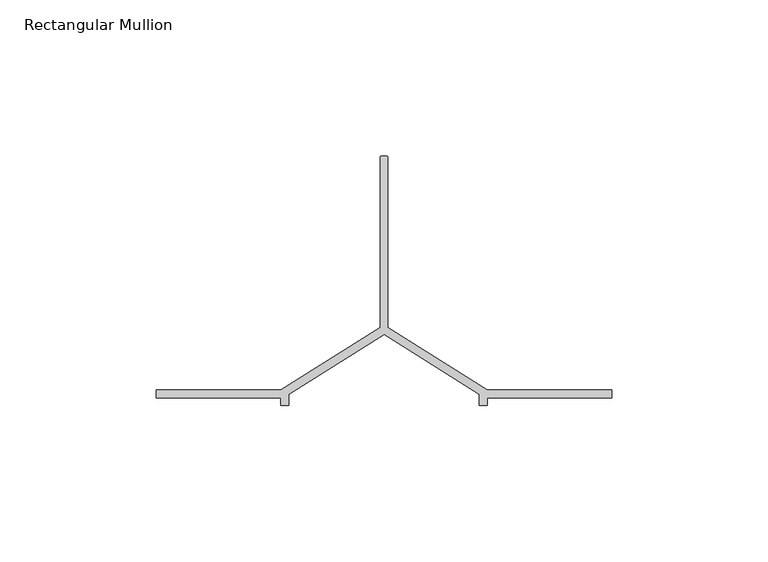
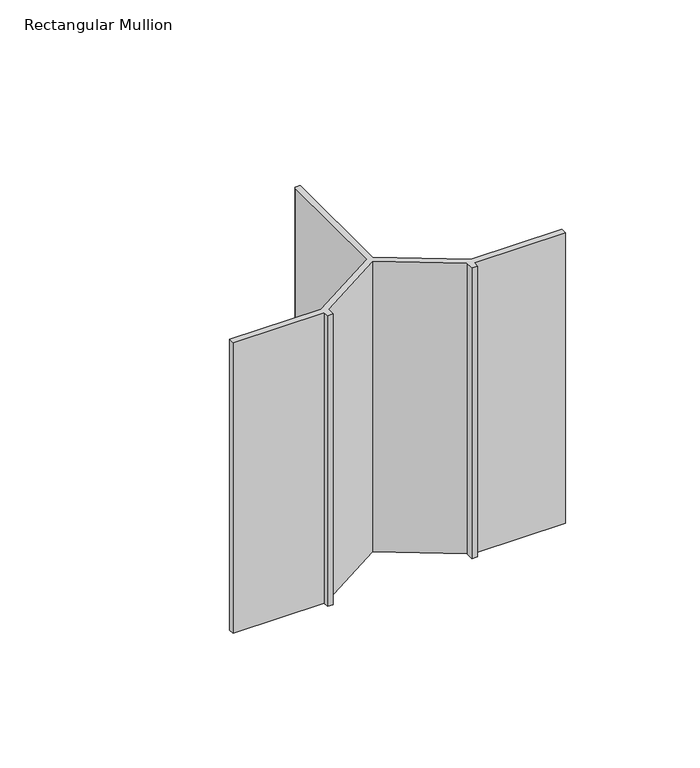
"""IFC4 building model written with IfcOpenShell, lengths in millimetres: member geometry, Rectangular Mullion."""

from ifc_helpers import new_model, si_unit, point, frame, frame_2d, origin, place, context, project, spatial, polyline, circle_curve, trimmed, segment, composite_curve, outline, extrude, source, transform, mapped, element, save


def rectangular_mullion_bee6ac06(model_context):
    return source(origin(), model_context, "Body", "SweptSolid", [
        extrude(outline(composite_curve([segment(polyline([(-0.75, -68.5), (0.75, -68.5)]), True, "CONTINUOUS"), segment(trimmed(circle_curve(frame_2d((0.75, -69.0)), 0.5), [point((0.75, -68.5))], [point((1.25, -69.0))], False, "CARTESIAN"), True, "CONTINUOUS"), segment(polyline([(1.25, -69.0), (1.25, -123.5), (33.0, -143.5), (73.0, -143.5), (73.0, -146.0), (33.0, -146.0), (33.0, -148.5), (30.5, -148.5), (30.5, -144.879855), (0.0, -125.6672566), (-30.5, -144.879855), (-30.5, -148.5), (-33.0, -148.5), (-33.0, -146.0), (-73.0, -146.0), (-73.0, -143.5), (-33.0, -143.5), (-1.25, -123.5), (-1.25, -69.0)]), True, "CONTINUOUS"), segment(trimmed(circle_curve(frame_2d((-0.75, -69.0)), 0.5), [point((-1.25, -69.0))], [point((-0.75, -68.5))], False, "CARTESIAN"), True, "CONTINUOUS")], self_intersect=False)), frame((0.0, 0.0, -135.0), z_axis=(0.0, 0.0, 1.0), x_axis=(1.0, 0.0, 0.0)), (0.0, 0.0, 1.0), 135.0),
    ])


if __name__ == "__main__":
    model = new_model("IFC4")
    model_context = context("Model", 3, world=origin())
    ifc_project = project(units=[si_unit("LENGTHUNIT", "METRE", prefix="MILLI")], contexts=[model_context])
    site = spatial("IfcSite", under=ifc_project)
    building = spatial("IfcBuilding", under=site)
    placement = place(None, origin())
    rectangular_mullion_shape = rectangular_mullion_bee6ac06(model_context)
    element("IfcMember", 1, ObjectType="Rectangular Mullion", at=placement, inside=building, context=model_context, shape_type="MappedRepresentation", body=[
        mapped(rectangular_mullion_shape, transform((0.0, 0.0, 0.0), x_axis=(1.0, 0.0, 0.0), y_axis=(0.0, 1.0, 0.0), z_axis=(0.0, 0.0, 1.0))),
    ])
    save(model, "model.ifc")
